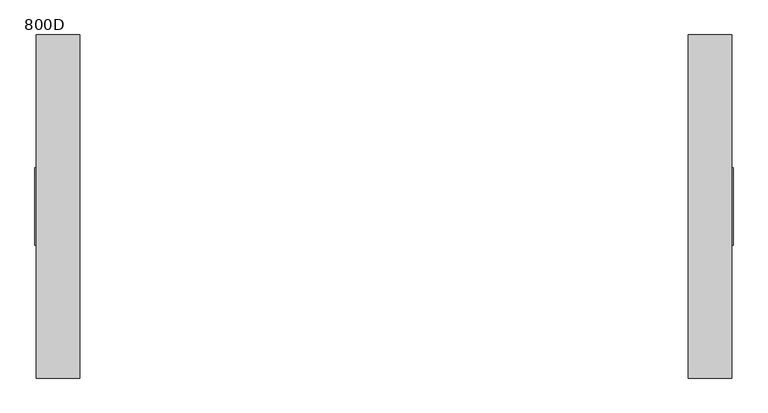
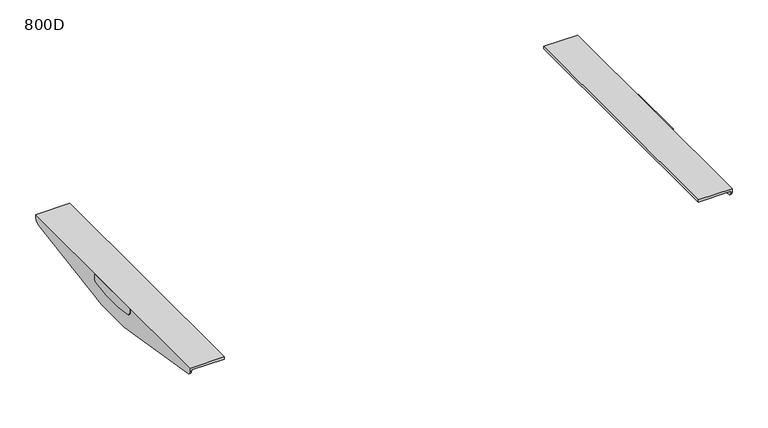
"""IFC4 building model written with IfcOpenShell, lengths in millimetres: furniture geometry, 800D."""

from ifc_helpers import new_model, si_unit, point, frame, frame_2d, origin, place, context, project, spatial, polyline, circle_curve, trimmed, segment, composite_curve, outline, extrude, source, transform, mapped, element, save
from ifc_brep_helpers import plane_surface, cylinder_surface, advanced_brep


def furniture_800d_8c2470c7(model_context):
    return source(origin(), model_context, "Body", "SolidModel", [
        advanced_brep(
        [(583.0000006, 287.4963324, 716.0), (583.0000006, 287.4963324, 708.4998128), (580.0000009, 287.4963324, 708.4998128), (580.0000009, 287.4963324, 710.4999723), (510.0000017, 287.4963324, 710.4999723), (510.0000017, 287.4963324, 716.0), (580.0000009, -287.5036993, 710.4999723), (580.0000009, -287.5036993, 708.4997591), (583.0000006, -287.5036993, 708.4997591), (583.0000006, -287.5036993, 716.0), (510.0000017, -287.5036993, 716.0), (510.0000017, -287.5036993, 710.4999723), (580.0000009, 279.1076002, 698.6304207), (580.0000009, 42.4967459, 660.0), (580.0000009, -42.5041219, 660.0), (580.0000009, -279.1150126, 698.6304207), (583.0000006, -279.1150126, 698.6304207), (583.0000006, -42.5041219, 660.0), (583.0000006, 42.4967459, 660.0), (583.0000006, 279.1076002, 698.6304207)],
        [
            (0, 1),
            (1, 2),
            (2, 3),
            (3, 4),
            (4, 5),
            (5, 0),
            (6, 7),
            (7, 8),
            (8, 9),
            (9, 10),
            (10, 11),
            (11, 6),
            (2, 12, circle_curve(frame((580.0000009, 277.4962677, 708.4998128), z_axis=(-1.0, 0.0, 0.0), x_axis=(0.0, -1.0, 0.0)), 10.0000647)),
            (12, 13),
            (13, 14),
            (14, 15),
            (15, 7, circle_curve(frame((580.0000009, -277.503689, 708.4997591), z_axis=(-1.0, 0.0, 0.0), x_axis=(0.0, -1.0, 0.0)), 10.0000103)),
            (6, 3),
            (11, 4),
            (10, 5),
            (9, 0),
            (8, 16, circle_curve(frame((583.0000006, -277.503689, 708.4997591), z_axis=(1.0, 0.0, 0.0), x_axis=(0.0, -1.0, 0.0)), 10.0000103)),
            (16, 17),
            (17, 18),
            (18, 19),
            (19, 1, circle_curve(frame((583.0000006, 277.4962677, 708.4998128), z_axis=(1.0, 0.0, 0.0), x_axis=(0.0, -1.0, 0.0)), 10.0000647)),
            (17, 14),
            (13, 18),
            (16, 15),
            (12, 19),
        ],
        [
            plane_surface(frame((583.0000006, 287.4963324, 660.0), z_axis=(0.0, 1.0, 0.0), x_axis=(1.0, 0.0, 0.0))),
            plane_surface(frame((583.0000006, -287.5036993, 660.0), z_axis=(0.0, -1.0, 0.0), x_axis=(-1.0, 0.0, 0.0))),
            plane_surface(frame((580.0000009, 287.4963324, 710.4999723), z_axis=(-1.0, 0.0, 0.0), x_axis=(0.0, -1.0, 0.0))),
            plane_surface(frame((510.0000017, 287.4963324, 710.4999723), z_axis=(0.0, 0.0, -1.0), x_axis=(0.0, -1.0, 0.0))),
            plane_surface(frame((510.0000017, 287.4963324, 716.0), z_axis=(-1.0, 0.0, 0.0), x_axis=(0.0, -1.0, 0.0))),
            plane_surface(frame((583.0000006, 287.4963324, 716.0), z_axis=(0.0, 0.0, 1.0), x_axis=(0.0, -1.0, 0.0))),
            plane_surface(frame((583.0000006, 287.4963324, 660.0), z_axis=(1.0, 0.0, 0.0), x_axis=(0.0, -1.0, 0.0))),
            plane_surface(frame((580.0000009, 287.4963324, 660.0), z_axis=(0.0, 0.0, -1.0), x_axis=(0.0, -1.0, 0.0))),
            plane_surface(frame((510.0000017, -42.5041219, 660.0), z_axis=(0.0, -0.16113218812194072, -0.9869328335560813), x_axis=(1.0, 0.0, 0.0))),
            cylinder_surface(frame((585.0, -277.503689, 708.4997591), z_axis=(1.0, 0.0, 0.0), x_axis=(0.0, -1.0, 0.0)), 10.0000103),
            plane_surface(frame((510.0000017, 279.1076002, 698.6304207), z_axis=(0.0, 0.16113221222328436, -0.9869328296211605), x_axis=(1.0, 0.0, 0.0))),
            cylinder_surface(frame((1200.0, 277.4962677, 708.4998128), z_axis=(1.0, 0.0, 0.0), x_axis=(0.0, -1.0, 0.0)), 10.0000647),
        ],
        [
            (0, [[1, 2, 3, 4, 5, 6]]),
            (1, [[7, 8, 9, 10, 11, 12]]),
            (2, [[-3, 13, 14, 15, 16, 17, -7, 18]]),
            (3, [[-18, -12, 19, -4]]),
            (4, [[-19, -11, 20, -5]]),
            (5, [[-20, -10, 21, -6]]),
            (6, [[-9, 22, 23, 24, 25, 26, -1, -21]]),
            (7, [[27, -15, 28, -24]]),
            (8, [[-16, -27, -23, 29]]),
            (9, [[-22, -8, -17, -29]]),
            (10, [[-25, -28, -14, 30]]),
            (11, [[-13, -2, -26, -30]]),
        ],
    ),
        extrude(outline(composite_curve([segment(polyline([(64.9962871, 716.0), (64.9962871, 705.7477915)]), True, "CONTINUOUS"), segment(trimmed(circle_curve(frame_2d((59.996269, 705.7477915)), 5.0000181), [point((64.9962871, 705.7477915))], [point((60.8043191, 700.8134996))], False, "CARTESIAN"), True, "CONTINUOUS"), segment(polyline([(60.8043191, 700.8134996), (21.9956935, 694.5405645), (-22.2562903, 694.5405645), (-60.8052275, 700.8531775)]), True, "CONTINUOUS"), segment(trimmed(circle_curve(frame_2d((-60.0513722, 705.7477915)), 4.9523271), [point((-60.8052275, 700.8531775))], [point((-65.0036994, 705.7477915))], False, "CARTESIAN"), True, "CONTINUOUS"), segment(polyline([(-65.0036994, 705.7477915), (-65.0036994, 716.0), (64.9962871, 716.0)]), True, "CONTINUOUS")], self_intersect=False)), frame((583.0000006, 0.0, 0.0), z_axis=(1.0, 0.0, 0.0), x_axis=(0.0, 1.0, 0.0)), (0.0, 0.0, 1.0), 1.9999994),
        advanced_brep(
        [(-580.0000009, 287.4963324, 710.4999723), (-580.0000009, 287.4963324, 708.4998128), (-583.0000006, 287.4963324, 708.4998128), (-583.0000006, 287.4963324, 716.0), (-510.0000017, 287.4963324, 716.0), (-510.0000017, 287.4963324, 710.4999723), (-583.0000006, -287.5036993, 716.0), (-583.0000006, -287.5036993, 708.4997591), (-580.0000009, -287.5036993, 708.4997591), (-580.0000009, -287.5036993, 710.4999723), (-510.0000017, -287.5036993, 710.4999723), (-510.0000017, -287.5036993, 716.0), (-580.0000009, -279.1150126, 698.6304207), (-580.0000009, -42.5041219, 660.0), (-580.0000009, 42.4967459, 660.0), (-580.0000009, 279.1076002, 698.6304207), (-583.0000006, 279.1076002, 698.6304207), (-583.0000006, 42.4967459, 660.0), (-583.0000006, -42.5041219, 660.0), (-583.0000006, -279.1150126, 698.6304207)],
        [
            (0, 1),
            (1, 2),
            (2, 3),
            (3, 4),
            (4, 5),
            (5, 0),
            (6, 7),
            (7, 8),
            (8, 9),
            (9, 10),
            (10, 11),
            (11, 6),
            (8, 12, circle_curve(frame((-580.0000009, -277.503689, 708.4997591), z_axis=(1.0, 0.0, 0.0), x_axis=(0.0, -1.0, 0.0)), 10.0000103)),
            (12, 13),
            (13, 14),
            (14, 15),
            (15, 1, circle_curve(frame((-580.0000009, 277.4962677, 708.4998128), z_axis=(1.0, 0.0, 0.0), x_axis=(0.0, -1.0, 0.0)), 10.0000647)),
            (0, 9),
            (5, 10),
            (4, 11),
            (3, 6),
            (2, 16, circle_curve(frame((-583.0000006, 277.4962677, 708.4998128), z_axis=(-1.0, 0.0, 0.0), x_axis=(0.0, -1.0, 0.0)), 10.0000647)),
            (16, 17),
            (17, 18),
            (18, 19),
            (19, 7, circle_curve(frame((-583.0000006, -277.503689, 708.4997591), z_axis=(-1.0, 0.0, 0.0), x_axis=(0.0, -1.0, 0.0)), 10.0000103)),
            (13, 18),
            (17, 14),
            (12, 19),
            (16, 15),
        ],
        [
            plane_surface(frame((-580.0000009, 287.4963324, 660.0), z_axis=(0.0, 1.0, 0.0), x_axis=(0.0, 0.0, 1.0))),
            plane_surface(frame((-580.0000009, -287.5036993, 660.0), z_axis=(0.0, -1.0, 0.0), x_axis=(0.0, 0.0, -1.0))),
            plane_surface(frame((-580.0000009, 287.4963324, 660.0), z_axis=(1.0, 0.0, 0.0), x_axis=(0.0, -1.0, 0.0))),
            plane_surface(frame((-580.0000009, 287.4963324, 710.4999723), z_axis=(0.0, 0.0, -1.0), x_axis=(0.0, -1.0, 0.0))),
            plane_surface(frame((-510.0000017, 287.4963324, 710.4999723), z_axis=(1.0, 0.0, 0.0), x_axis=(0.0, -1.0, 0.0))),
            plane_surface(frame((-510.0000017, 287.4963324, 716.0), z_axis=(0.0, 0.0, 1.0), x_axis=(0.0, -1.0, 0.0))),
            plane_surface(frame((-583.0000006, 287.4963324, 716.0), z_axis=(-1.0, 0.0, 0.0), x_axis=(0.0, -1.0, 0.0))),
            plane_surface(frame((-583.0000006, 287.4963324, 660.0), z_axis=(0.0, 0.0, -1.0), x_axis=(0.0, -1.0, 0.0))),
            plane_surface(frame((-510.0000017, -279.1150126, 698.6304207), z_axis=(0.0, -0.16113218812194124, -0.9869328335560812), x_axis=(-1.0, 0.0, 0.0))),
            cylinder_surface(frame((-583.0000006, -277.503689, 708.4997591), z_axis=(-1.0, 0.0, 0.0), x_axis=(0.0, -1.0, 0.0)), 10.0000103),
            plane_surface(frame((-510.0000017, 42.4967459, 660.0), z_axis=(0.0, 0.16113221222328436, -0.9869328296211605), x_axis=(-1.0, 0.0, 0.0))),
            cylinder_surface(frame((0.0, 277.4962677, 708.4998128), z_axis=(-1.0, 0.0, 0.0), x_axis=(0.0, -1.0, 0.0)), 10.0000647),
        ],
        [
            (0, [[1, 2, 3, 4, 5, 6]]),
            (1, [[7, 8, 9, 10, 11, 12]]),
            (2, [[-9, 13, 14, 15, 16, 17, -1, 18]]),
            (3, [[19, -10, -18, -6]]),
            (4, [[20, -11, -19, -5]]),
            (5, [[21, -12, -20, -4]]),
            (6, [[-3, 22, 23, 24, 25, 26, -7, -21]]),
            (7, [[27, -24, 28, -15]]),
            (8, [[-25, -27, -14, 29]]),
            (9, [[-13, -8, -26, -29]]),
            (10, [[-16, -28, -23, 30]]),
            (11, [[-22, -2, -17, -30]]),
        ],
    ),
        extrude(outline(composite_curve([segment(polyline([(64.9962871, 716.0), (64.9962871, 705.7477915)]), True, "CONTINUOUS"), segment(trimmed(circle_curve(frame_2d((59.996269, 705.7477915)), 5.0000181), [point((64.9962871, 705.7477915))], [point((60.8043191, 700.8134996))], False, "CARTESIAN"), True, "CONTINUOUS"), segment(polyline([(60.8043191, 700.8134996), (21.9956935, 694.5405645), (-22.2562903, 694.5405645), (-60.8052275, 700.8531775)]), True, "CONTINUOUS"), segment(trimmed(circle_curve(frame_2d((-60.0513722, 705.7477915)), 4.9523271), [point((-60.8052275, 700.8531775))], [point((-65.0036994, 705.7477915))], False, "CARTESIAN"), True, "CONTINUOUS"), segment(polyline([(-65.0036994, 705.7477915), (-65.0036994, 716.0), (64.9962871, 716.0)]), True, "CONTINUOUS")], self_intersect=False)), frame((-585.0, 0.0, 0.0), z_axis=(1.0, 0.0, 0.0), x_axis=(0.0, 1.0, 0.0)), (0.0, 0.0, 1.0), 1.9999994),
    ])


if __name__ == "__main__":
    model = new_model("IFC4")
    model_context = context("Model", 3, world=origin())
    ifc_project = project(units=[si_unit("LENGTHUNIT", "METRE", prefix="MILLI")], contexts=[model_context])
    site = spatial("IfcSite", under=ifc_project)
    building = spatial("IfcBuilding", under=site)
    placement = place(None, origin())
    furniture_800d_shape = furniture_800d_8c2470c7(model_context)
    element("IfcFurniture", 1, ObjectType="800D", at=placement, inside=building, context=model_context, shape_type="MappedRepresentation", body=[
        mapped(furniture_800d_shape, transform((0.0, 0.0, 0.0), x_axis=(1.0, 0.0, 0.0), y_axis=(0.0, 1.0, 0.0), z_axis=(0.0, 0.0, 1.0))),
    ])
    save(model, "model.ifc")
